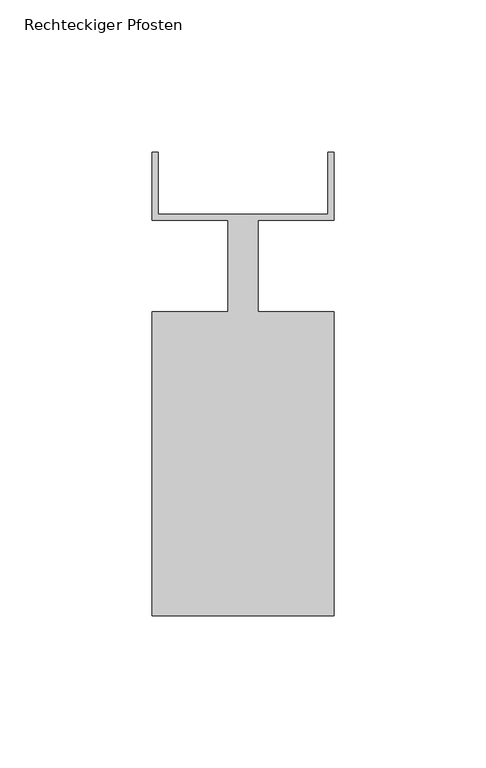
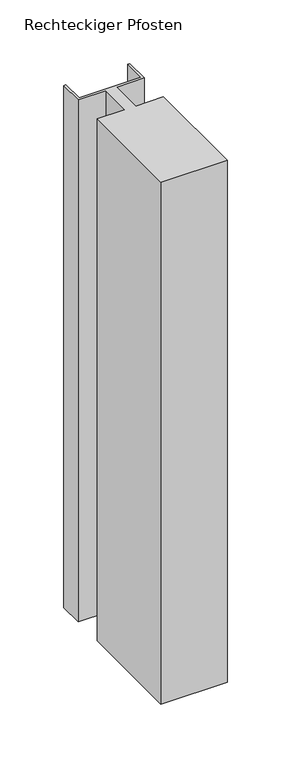
"""IFC4 building model written with IfcOpenShell, lengths in millimetres: member geometry, Rechteckiger Pfosten."""

from ifc_helpers import new_model, si_unit, frame, origin, place, context, project, spatial, polyline, outline, extrude, source, transform, mapped, element, save


def rechteckiger_pfosten_a6f3dece(model_context):
    return source(origin(), model_context, "Body", "SweptSolid", [
        extrude(outline(polyline([(28.0, 37.5), (30.0, 37.5), (30.0, 15.0), (5.0, 15.0), (5.0, -15.0), (30.0, -15.0), (30.0, -115.0), (-30.0, -115.0), (-30.0, -15.0), (-5.0, -15.0), (-5.0, 15.0), (-30.0, 15.0), (-30.0, 37.5), (-28.0, 37.5), (-28.0, 17.0), (28.0, 17.0), (28.0, 37.5)])), frame((0.0, 0.0, -500.0), z_axis=(0.0, 0.0, 1.0), x_axis=(1.0, 0.0, 0.0)), (0.0, 0.0, 1.0), 500.0),
    ])


if __name__ == "__main__":
    model = new_model("IFC4")
    model_context = context("Model", 3, world=origin())
    ifc_project = project(units=[si_unit("LENGTHUNIT", "METRE", prefix="MILLI")], contexts=[model_context])
    site = spatial("IfcSite", under=ifc_project)
    building = spatial("IfcBuilding", under=site)
    placement = place(None, origin())
    rechteckiger_pfosten_shape = rechteckiger_pfosten_a6f3dece(model_context)
    element("IfcMember", 1, ObjectType="Rechteckiger Pfosten", at=placement, inside=building, context=model_context, shape_type="MappedRepresentation", body=[
        mapped(rechteckiger_pfosten_shape, transform((0.0, 0.0, 0.0), x_axis=(1.0, 0.0, 0.0), y_axis=(0.0, 1.0, 0.0), z_axis=(0.0, 0.0, 1.0))),
    ])
    save(model, "model.ifc")
